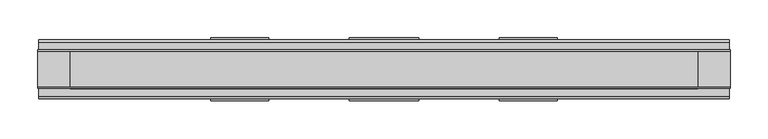
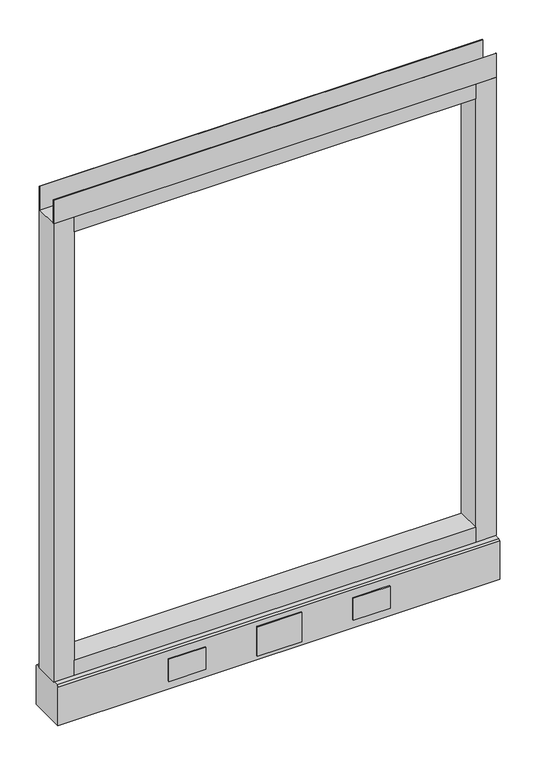
"""IFC4 building model written with IfcOpenShell, lengths in millimetres: furniture geometry."""

from ifc_helpers import new_model, si_unit, point, frame, frame_2d, origin, place, context, project, spatial, polyline, circle_curve, trimmed, segment, composite_curve, outline, extrude, source, transform, mapped, element, save
from ifc_brep_helpers import plane_surface, revolved_surface, advanced_brep


def furniture_4fd8c98d(model_context):
    return source(origin(), model_context, "Body", "SolidModel", [
        advanced_brep(
        [(387.35, 0.0, 6.35), (412.75, 0.0, 6.35), (381.0, 0.0, 0.0), (419.1, 0.0, 0.0)],
        [
            (0, 1, circle_curve(frame((400.05, 0.0, 6.35), z_axis=(0.0, 0.0, 1.0), x_axis=(-1.0, 0.0, 0.0)), 12.7)),
            (1, 0, circle_curve(frame((400.05, 0.0, 6.35), z_axis=(0.0, 0.0, 1.0), x_axis=(1.0, 0.0, 0.0)), 12.7)),
            (2, 3, circle_curve(frame((400.05, 0.0, 0.0), z_axis=(0.0, 0.0, -1.0), x_axis=(1.0, 0.0, 0.0)), 19.05)),
            (3, 2, circle_curve(frame((400.05, 0.0, 0.0), z_axis=(0.0, 0.0, -1.0), x_axis=(-1.0, 0.0, 0.0)), 19.05)),
            (3, 1),
            (0, 2),
        ],
        [
            plane_surface(frame((400.05, 0.0, 6.35), z_axis=(0.0, 0.0, 1.0), x_axis=(0.0, -1.0, 0.0))),
            plane_surface(frame((400.05, 0.0, 0.0), z_axis=(0.0, 0.0, -1.0), x_axis=(0.0, -1.0, 0.0))),
            revolved_surface(polyline([(387.35, 0.0, 6.35), (381.0, 0.0, 0.0)]), (400.05, 0.0, 19.05), (0.0, 0.0, -1.0)),
            revolved_surface(polyline([(412.75, 0.0, 6.35), (419.1, 0.0, 0.0)]), (400.05, 0.0, 19.05), (0.0, 0.0, -1.0)),
        ],
        [
            (0, [[1, 2]]),
            (1, [[3, 4]]),
            (2, [[-4, 5, -1, 6]]),
            (3, [[-3, -6, -2, -5]]),
        ],
    ),
        advanced_brep(
        [(-412.75, 0.0, 6.35), (-387.35, 0.0, 6.35), (-419.1, 0.0, 0.0), (-381.0, 0.0, 0.0)],
        [
            (0, 1, circle_curve(frame((-400.05, 0.0, 6.35), z_axis=(0.0, 0.0, 1.0), x_axis=(-1.0, 0.0, 0.0)), 12.7)),
            (1, 0, circle_curve(frame((-400.05, 0.0, 6.35), z_axis=(0.0, 0.0, 1.0), x_axis=(1.0, 0.0, 0.0)), 12.7)),
            (2, 3, circle_curve(frame((-400.05, 0.0, 0.0), z_axis=(0.0, 0.0, -1.0), x_axis=(1.0, 0.0, 0.0)), 19.05)),
            (3, 2, circle_curve(frame((-400.05, 0.0, 0.0), z_axis=(0.0, 0.0, -1.0), x_axis=(-1.0, 0.0, 0.0)), 19.05)),
            (3, 1),
            (0, 2),
        ],
        [
            plane_surface(frame((-400.05, 0.0, 6.35), z_axis=(0.0, 0.0, 1.0), x_axis=(0.0, -1.0, 0.0))),
            plane_surface(frame((-400.05, 0.0, 0.0), z_axis=(0.0, 0.0, -1.0), x_axis=(0.0, -1.0, 0.0))),
            revolved_surface(polyline([(-412.75, 0.0, 6.35), (-419.1, 0.0, 0.0)]), (-400.05, 0.0, 19.05), (0.0, 0.0, -1.0)),
            revolved_surface(polyline([(-387.35, 0.0, 6.35), (-381.0, 0.0, 0.0)]), (-400.05, 0.0, 19.05), (0.0, 0.0, -1.0)),
        ],
        [
            (0, [[1, 2]]),
            (1, [[3, 4]]),
            (2, [[-4, 5, -1, 6]]),
            (3, [[-3, -6, -2, -5]]),
        ],
    ),
        extrude(outline(polyline([(228.6, 39.0921875), (152.4, 39.0921875), (152.4, 41.4020035), (228.6, 41.4020035), (228.6, 39.0921875)])), frame((0.0, 0.0, 32.512), z_axis=(0.0, 0.0, 1.0), x_axis=(1.0, 0.0, 0.0)), (0.0, 0.0, 1.0), 48.26),
        extrude(outline(polyline([(45.7708, 39.0921875), (-45.7708, 39.0921875), (-45.7708, 41.4020035), (45.7708, 41.4020035), (45.7708, 39.0921875)])), frame((0.0, 0.0, 23.8125), z_axis=(0.0, 0.0, 1.0), x_axis=(1.0, 0.0, 0.0)), (0.0, 0.0, 1.0), 63.5),
        extrude(outline(polyline([(-152.4, 39.0921875), (-228.6, 39.0921875), (-228.6, 41.4020035), (-152.4, 41.4020035), (-152.4, 39.0921875)])), frame((0.0, 0.0, 32.512), z_axis=(0.0, 0.0, 1.0), x_axis=(1.0, 0.0, 0.0)), (0.0, 0.0, 1.0), 48.26),
        extrude(outline(polyline([(228.6, -41.4019923), (152.4, -41.4019923), (152.4, -39.0921875), (228.6, -39.0921875), (228.6, -41.4019923)])), frame((0.0, 0.0, 32.512), z_axis=(0.0, 0.0, 1.0), x_axis=(1.0, 0.0, 0.0)), (0.0, 0.0, 1.0), 48.26),
        extrude(outline(polyline([(-152.4, -41.4019923), (-228.6, -41.4019923), (-228.6, -39.0921875), (-152.4, -39.0921875), (-152.4, -41.4019923)])), frame((0.0, 0.0, 32.512), z_axis=(0.0, 0.0, 1.0), x_axis=(1.0, 0.0, 0.0)), (0.0, 0.0, 1.0), 48.26),
        extrude(outline(polyline([(45.7708, -41.4019923), (-45.7708, -41.4019923), (-45.7708, -39.0921875), (45.7708, -39.0921875), (45.7708, -41.4019923)])), frame((0.0, 0.0, 23.8125), z_axis=(0.0, 0.0, 1.0), x_axis=(1.0, 0.0, 0.0)), (0.0, 0.0, 1.0), 63.5),
        extrude(outline(polyline([(457.2, -23.8125), (457.2, -25.4), (-457.2, -25.4), (-457.2, -23.8125), (457.2, -23.8125)])), frame((0.0, 0.0, 1102.233), z_axis=(0.0, 0.0, 1.0), x_axis=(1.0, 0.0, 0.0)), (0.0, 0.0, 1.0), 51.435),
        extrude(outline(polyline([(457.2, 25.4), (457.2, 23.8125), (-457.2, 23.8125), (-457.2, 25.4), (457.2, 25.4)])), frame((0.0, 0.0, 1102.233), z_axis=(0.0, 0.0, 1.0), x_axis=(1.0, 0.0, 0.0)), (0.0, 0.0, 1.0), 51.435),
        extrude(outline(polyline([(414.3375, -25.4), (-414.3375, -25.4), (-414.3375, 25.4), (414.3375, 25.4), (414.3375, -25.4)])), frame((0.0, 0.0, 1069.34), z_axis=(0.0, 0.0, 1.0), x_axis=(1.0, 0.0, 0.0)), (0.0, 0.0, 1.0), 32.893),
        extrude(outline(polyline([(414.3375, -25.4), (-414.3375, -25.4), (-414.3375, 25.4), (414.3375, 25.4), (414.3375, -25.4)])), frame((0.0, 0.0, 101.6), z_axis=(0.0, 0.0, 1.0), x_axis=(1.0, 0.0, 0.0)), (0.0, 0.0, 1.0), 32.893),
        extrude(outline(composite_curve([segment(trimmed(circle_curve(frame_2d((-400.05, 0.0)), 5.55625), [point((-405.60625, 0.0))], [point((-394.49375, 0.0))], False, "CARTESIAN"), True, "CONTINUOUS"), segment(trimmed(circle_curve(frame_2d((-400.05, 0.0)), 5.55625), [point((-394.49375, 0.0))], [point((-405.60625, 0.0))], False, "CARTESIAN"), True, "CONTINUOUS")], self_intersect=False)), frame((0.0, 0.0, 6.35), z_axis=(0.0, 0.0, 1.0), x_axis=(1.0, 0.0, 0.0)), (0.0, 0.0, 1.0), 7.9375),
        extrude(outline(composite_curve([segment(trimmed(circle_curve(frame_2d((400.05, 0.0)), 5.55625), [point((394.49375, 0.0))], [point((405.60625, 0.0))], False, "CARTESIAN"), True, "CONTINUOUS"), segment(trimmed(circle_curve(frame_2d((400.05, 0.0)), 5.55625), [point((405.60625, 0.0))], [point((394.49375, 0.0))], False, "CARTESIAN"), True, "CONTINUOUS")], self_intersect=False)), frame((0.0, 0.0, 6.35), z_axis=(0.0, 0.0, 1.0), x_axis=(1.0, 0.0, 0.0)), (0.0, 0.0, 1.0), 7.9375),
        extrude(outline(polyline([(-414.3375, -25.4), (-457.2, -25.4), (-457.2, 25.4), (-414.3375, 25.4), (-414.3375, -25.4)])), frame((0.0, 0.0, 101.6), z_axis=(0.0, 0.0, 1.0), x_axis=(1.0, 0.0, 0.0)), (0.0, 0.0, 1.0), 1000.633),
        extrude(outline(polyline([(457.2, -25.4), (414.3375, -25.4), (414.3375, 25.4), (457.2, 25.4), (457.2, -25.4)])), frame((0.0, 0.0, 101.6), z_axis=(0.0, 0.0, 1.0), x_axis=(1.0, 0.0, 0.0)), (0.0, 0.0, 1.0), 1000.633),
        extrude(outline(polyline([(-35.9171875, 101.6), (35.9171875, 101.6), (39.0921875, 98.425), (39.0921875, 14.2875), (-39.0921875, 14.2875), (-39.0921875, 98.425), (-35.9171875, 101.6)])), frame((-456.057, 0.0, 0.0), z_axis=(1.0, 0.0, 0.0), x_axis=(0.0, 1.0, 0.0)), (0.0, 0.0, 1.0), 912.1140102),
    ])


if __name__ == "__main__":
    model = new_model("IFC4")
    model_context = context("Model", 3, world=origin())
    ifc_project = project(units=[si_unit("LENGTHUNIT", "METRE", prefix="MILLI")], contexts=[model_context])
    site = spatial("IfcSite", under=ifc_project)
    building = spatial("IfcBuilding", under=site)
    placement = place(None, origin())
    furniture_shape = furniture_4fd8c98d(model_context)
    element("IfcFurniture", 1, at=placement, inside=building, context=model_context, shape_type="MappedRepresentation", body=[
        mapped(furniture_shape, transform((0.0, 0.0, 0.0), x_axis=(1.0, 0.0, 0.0), y_axis=(0.0, 1.0, 0.0), z_axis=(0.0, 0.0, 1.0))),
    ])
    save(model, "model.ifc")
